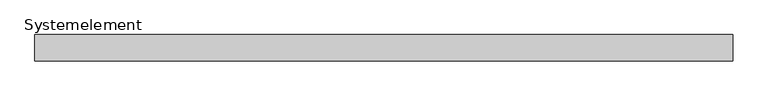
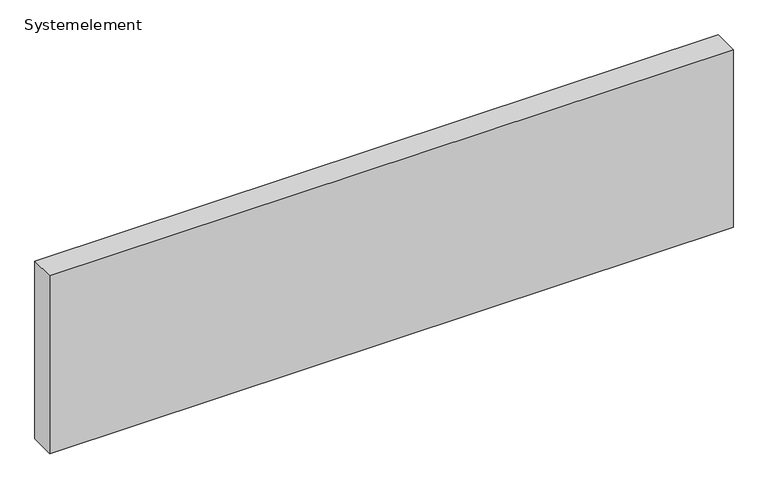
"""IFC4 building model written with IfcOpenShell, lengths in millimetres: plate geometry, Systemelement."""

from ifc_helpers import new_model, si_unit, origin, origin_with_axes, place, context, project, spatial, polyline, outline, extrude, source, transform, mapped, element, save


def systemelement_0c763c59(model_context):
    return source(origin(), model_context, "Body", "SweptSolid", [
        extrude(outline(polyline([(2000.0, -150.0), (-2000.0, -150.0), (-2000.0, 0.0), (2000.0, 0.0), (2000.0, -150.0)])), origin_with_axes(), (0.0, 0.0, 1.0), 1100.0),
    ])


if __name__ == "__main__":
    model = new_model("IFC4")
    model_context = context("Model", 3, world=origin())
    ifc_project = project(units=[si_unit("LENGTHUNIT", "METRE", prefix="MILLI")], contexts=[model_context])
    site = spatial("IfcSite", under=ifc_project)
    building = spatial("IfcBuilding", under=site)
    placement = place(None, origin())
    systemelement_shape = systemelement_0c763c59(model_context)
    element("IfcPlate", 1, ObjectType="Systemelement", at=placement, inside=building, context=model_context, shape_type="MappedRepresentation", body=[
        mapped(systemelement_shape, transform((0.0, 0.0, 0.0), x_axis=(1.0, 0.0, 0.0), y_axis=(0.0, 1.0, 0.0), z_axis=(0.0, 0.0, 1.0))),
    ])
    save(model, "model.ifc")
